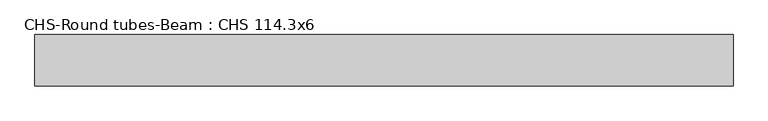
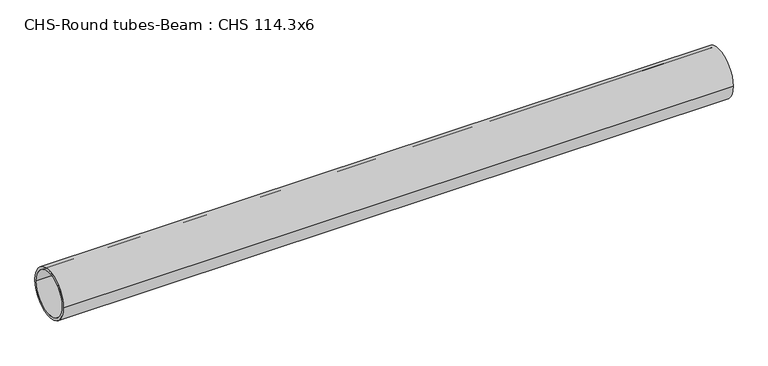
"""IFC4 building model written with IfcOpenShell, lengths in millimetres: beam geometry, CHS-Round tubes-Beam : CHS 114.3x6."""

from ifc_helpers import new_model, si_unit, point, frame, origin, origin_2d, place, context, project, spatial, circle_curve, trimmed, segment, composite_curve, outline, extrude, source, transform, mapped, element, save


def chs_round_tubes_beam_chs_114_3x6_e2f4bb67(model_context):
    return source(origin(), model_context, "Body", "SweptSolid", [
        extrude(outline(composite_curve([segment(trimmed(circle_curve(origin_2d(), 57.15), [point((57.15, 0.0))], [point((-57.15, 0.0))], False, "CARTESIAN"), True, "CONTINUOUS"), segment(trimmed(circle_curve(origin_2d(), 57.15), [point((-57.15, 0.0))], [point((57.15, 0.0))], False, "CARTESIAN"), True, "CONTINUOUS")], self_intersect=False), holes=[composite_curve([segment(trimmed(circle_curve(origin_2d(), 51.15), [point((51.15, 0.0))], [point((-51.15, 0.0))], True, "CARTESIAN"), True, "CONTINUOUS"), segment(trimmed(circle_curve(origin_2d(), 51.15), [point((-51.15, 0.0))], [point((51.15, 0.0))], True, "CARTESIAN"), True, "CONTINUOUS")], self_intersect=False)]), frame((-790.1444884, 0.0, 0.0), z_axis=(1.0, 0.0, 0.0), x_axis=(0.0, 1.0, 0.0)), (0.0, 0.0, 1.0), 1555.5998494),
    ])


if __name__ == "__main__":
    model = new_model("IFC4")
    model_context = context("Model", 3, world=origin())
    ifc_project = project(units=[si_unit("LENGTHUNIT", "METRE", prefix="MILLI")], contexts=[model_context])
    site = spatial("IfcSite", under=ifc_project)
    building = spatial("IfcBuilding", under=site)
    placement = place(None, origin())
    chs_round_tubes_beam_chs_114_3x6_shape = chs_round_tubes_beam_chs_114_3x6_e2f4bb67(model_context)
    element("IfcBeam", 1, ObjectType="CHS-Round tubes-Beam : CHS 114.3x6", at=placement, inside=building, context=model_context, shape_type="MappedRepresentation", body=[
        mapped(chs_round_tubes_beam_chs_114_3x6_shape, transform((0.0, 0.0, 0.0), x_axis=(1.0, 0.0, 0.0), y_axis=(0.0, 1.0, 0.0), z_axis=(0.0, 0.0, 1.0))),
    ])
    save(model, "model.ifc")
